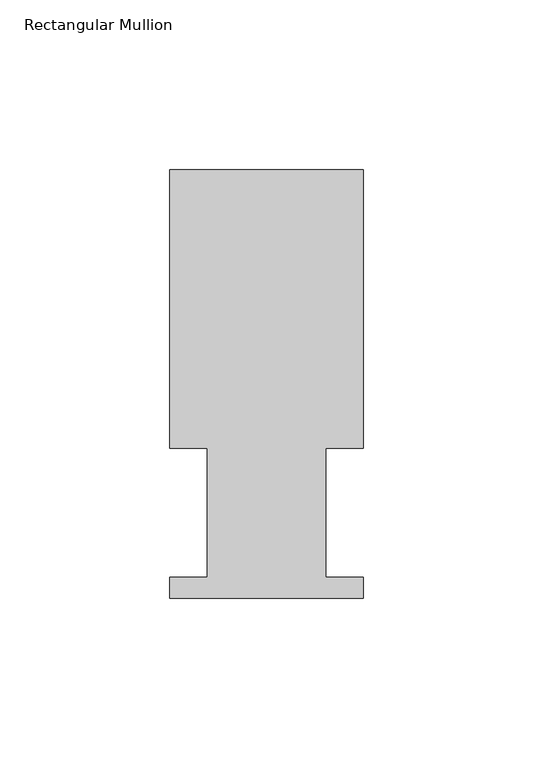
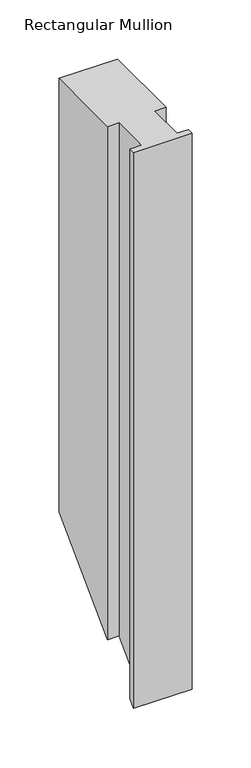
"""IFC4 building model written with IfcOpenShell, lengths in millimetres: member geometry, Rectangular Mullion."""

import ifcopenshell
import ifcopenshell.guid

model = None  # the IFC model being written
_history = None  # IfcOwnerHistory: only IFC2X3 demands one
_inside = {}  # id of a spatial element -> (the spatial element, [elements in it])
_under = {}  # id of a project, library or spatial element -> (it, [spatial elements below it])
_declared = {}  # id of a project -> (the project, [libraries it declares])
_typed = {}  # id of a type object -> (the type object, [elements of that type])
_made_of = {}  # id of a material, layer set ... -> (it, [elements and type objects made of it])


def new_model(schema):
    """Start an empty IFC model of exactly this schema.

    Asked for "IFC4X3", IfcOpenShell would pick the latest addendum, in which some entities
    have other attributes; the version numbers below select the first issue.
    IFC2X3 requires an IfcOwnerHistory on every rooted entity: one is made here for all.
    """
    global model, _history
    if schema == "IFC4X3":
        model = ifcopenshell.file(schema_version=(4, 3, 0, 0))
    else:
        model = ifcopenshell.file(schema=schema)
    _inside.clear()
    _under.clear()
    _declared.clear()
    _typed.clear()
    _made_of.clear()
    _history = None
    if model.schema == "IFC2X3":
        org = make("IfcOrganization", Name="unknown")
        user = make(
            "IfcPersonAndOrganization",
            ThePerson=make("IfcPerson", FamilyName="unknown"),
            TheOrganization=org,
        )
        app = make(
            "IfcApplication",
            ApplicationDeveloper=org,
            Version="unknown",
            ApplicationFullName="unknown",
            ApplicationIdentifier="unknown",
        )
        _history = make(
            "IfcOwnerHistory",
            OwningUser=user,
            OwningApplication=app,
            ChangeAction="ADDED",
            CreationDate=0,
        )
    return model


def make(cls, **values):
    """One entity of the class cls with the attributes given. An attribute that is None is left unset."""
    return model.create_entity(
        cls, **{name: value for name, value in values.items() if value is not None}
    )


def rooted(cls, **values):
    """An entity with a GlobalId (a new one), such as an element, a storey or a relation."""
    return make(cls, GlobalId=ifcopenshell.guid.new(), OwnerHistory=_history, **values)


def si_unit(unit_type, name, prefix=None):
    """IfcSIUnit, for example si_unit("LENGTHUNIT", "METRE", prefix="MILLI")."""
    return make("IfcSIUnit", UnitType=unit_type, Prefix=prefix, Name=name)


def assignment(units):
    """IfcUnitAssignment: the units of a project."""
    return None if units is None else make("IfcUnitAssignment", Units=units)


def point(xyz):
    """IfcCartesianPoint."""
    return None if xyz is None else make("IfcCartesianPoint", Coordinates=xyz)


def direction(xyz):
    """IfcDirection."""
    return None if xyz is None else make("IfcDirection", DirectionRatios=xyz)


def frame(location, z_axis=None, x_axis=None):
    """IfcAxis2Placement3D, a coordinate frame: its origin and axes. An axis left out is left unset."""
    return make(
        "IfcAxis2Placement3D",
        Location=point(location),
        Axis=direction(z_axis),
        RefDirection=direction(x_axis),
    )


def origin():
    """The frame at (0, 0, 0) with its axes left unset."""
    return frame((0.0, 0.0, 0.0))


def place(relative_to, where):
    """IfcLocalPlacement: puts the frame where relative to a parent placement (None: the world)."""
    return make(
        "IfcLocalPlacement", PlacementRelTo=relative_to, RelativePlacement=where
    )


def context(
    kind, dimensions, precision=None, world=None, true_north=None, identifier=None
):
    """IfcGeometricRepresentationContext, for example the 3D "Model" context."""
    return make(
        "IfcGeometricRepresentationContext",
        ContextIdentifier=identifier,
        ContextType=kind,
        CoordinateSpaceDimension=dimensions,
        Precision=precision,
        WorldCoordinateSystem=world,
        TrueNorth=true_north,
    )


def project(units=None, contexts=None):
    """IfcProject with its units and contexts."""
    return rooted(
        "IfcProject",
        Name="project",
        RepresentationContexts=contexts,
        UnitsInContext=assignment(units),
    )


def spatial(cls, under=None, at=None, **own):
    """A site, building, storey or space (cls), placed at a placement, below another one or the project."""
    s = rooted(cls, ObjectPlacement=at, **own)
    if under is not None:
        _under.setdefault(under.id(), (under, []))[1].append(s)
    return s


def faces_of(points, faces, orient=None, outer=None):
    """IfcFace entities. A face is a list of loops; a loop is a list of indices into points, from 0.

    orient and outer hold one flag for each loop. By default every Orientation is true, the
    first loop of a face is its IfcFaceOuterBound and the others are IfcFaceBound.
    """
    made = []
    for i, loops in enumerate(faces):
        bounds = []
        for j, loop in enumerate(loops):
            is_outer = j == 0 if outer is None else outer[i][j]
            bounds.append(
                make(
                    "IfcFaceOuterBound" if is_outer else "IfcFaceBound",
                    Bound=make("IfcPolyLoop", Polygon=[points[k] for k in loop]),
                    Orientation=True if orient is None else orient[i][j],
                )
            )
        made.append(make("IfcFace", Bounds=bounds))
    return made


def faceted_brep(points, faces, orient=None, outer=None, voids=None):
    """IfcFacetedBrep: a solid bounded by flat faces; with voids (closed shells), ...WithVoids."""
    shared = [point(p) for p in points]
    hull = make("IfcClosedShell", CfsFaces=faces_of(shared, faces, orient, outer))
    if voids is None:
        return make("IfcFacetedBrep", Outer=hull)
    return make(
        "IfcFacetedBrepWithVoids",
        Outer=hull,
        Voids=[
            make(cls, CfsFaces=faces_of(shared, fs, o, b)) for cls, fs, o, b in voids
        ],
    )


def shape(context_of_items, identifier, shape_type, items):
    """IfcShapeRepresentation: the items that make up one representation, for example the "Body"."""
    return make(
        "IfcShapeRepresentation",
        ContextOfItems=context_of_items,
        RepresentationIdentifier=identifier,
        RepresentationType=shape_type,
        Items=items,
    )


def source(mapping_origin, context_of_items, identifier, shape_type, items):
    """IfcRepresentationMap: a shape defined once, which mapped items show again and again."""
    return make(
        "IfcRepresentationMap",
        MappingOrigin=mapping_origin,
        MappedRepresentation=shape(context_of_items, identifier, shape_type, items),
    )


def transform(
    local_origin,
    x_axis=None,
    y_axis=None,
    z_axis=None,
    scale=None,
    scale2=None,
    scale3=None,
    uniform=True,
):
    """IfcCartesianTransformationOperator3D, or its non-uniform kind. x_axis, y_axis, z_axis: its Axis1, 2, 3."""
    if uniform:
        return make(
            "IfcCartesianTransformationOperator3D",
            Axis1=direction(x_axis),
            Axis2=direction(y_axis),
            LocalOrigin=point(local_origin),
            Scale=scale,
            Axis3=direction(z_axis),
        )
    return make(
        "IfcCartesianTransformationOperator3DnonUniform",
        Axis1=direction(x_axis),
        Axis2=direction(y_axis),
        LocalOrigin=point(local_origin),
        Scale=scale,
        Axis3=direction(z_axis),
        Scale2=scale2,
        Scale3=scale3,
    )


def mapped(mapping_source, mapping_target):
    """IfcMappedItem: shows the shape of a source again, moved by a transform."""
    return make(
        "IfcMappedItem", MappingSource=mapping_source, MappingTarget=mapping_target
    )


def made_of(thing, what):
    """Note that an element or type object is made of a material, layer set ...; save() writes the relation."""
    if what is not None:
        _made_of.setdefault(what.id(), (what, []))[1].append(thing)
    return thing


def element(
    cls,
    number,
    at=None,
    inside=None,
    cuts=None,
    type_object=None,
    material=None,
    context=None,
    identifier="Body",
    shape_type=None,
    held_by="IfcProductDefinitionShape",
    body=None,
    shapes=None,
    **own,
):
    """One element of the class cls, such as IfcWall. Its Tag is "e" and its number.

    at: its placement. inside: the storey or other place that contains it. cuts: it is an
    opening in that element (IfcRelVoidsElement). A single representation is given by context,
    identifier, shape_type and body (its items); several are given by shapes. held_by: the class
    of the entity that holds the representations. save() writes the other relations.
    """
    e = rooted(cls, Tag="e%d" % number, ObjectPlacement=at, **own)
    if body is not None:
        shapes = [shape(context, identifier, shape_type, body)]
    if shapes is not None:
        e.Representation = make(held_by, Representations=shapes)
    if inside is not None:
        _inside.setdefault(inside.id(), (inside, []))[1].append(e)
    if cuts is not None:
        rooted(
            "IfcRelVoidsElement", RelatingBuildingElement=cuts, RelatedOpeningElement=e
        )
    if type_object is not None:
        _typed.setdefault(type_object.id(), (type_object, []))[1].append(e)
    return made_of(e, material)


def aggregate(whole, parts):
    """IfcRelAggregates: a whole, such as a stair, and the parts it consists of."""
    return rooted("IfcRelAggregates", RelatingObject=whole, RelatedObjects=parts)


def save(model, path):
    """Write the relations noted so far, then the file.

    IfcRelAggregates (storeys below a building ...), IfcRelContainedInSpatialStructure (elements
    in a storey), IfcRelDefinesByType, IfcRelAssociatesMaterial and IfcRelDeclares: one each for
    every whole, place, type object, material and project.
    """
    for whole, parts in _under.values():
        aggregate(whole, parts)
    for where, things in _inside.values():
        rooted(
            "IfcRelContainedInSpatialStructure",
            RelatedElements=things,
            RelatingStructure=where,
        )
    for kind, things in _typed.values():
        rooted("IfcRelDefinesByType", RelatedObjects=things, RelatingType=kind)
    for what, things in _made_of.values():
        rooted("IfcRelAssociatesMaterial", RelatedObjects=things, RelatingMaterial=what)
    for by, libraries in _declared.values():
        rooted("IfcRelDeclares", RelatingContext=by, RelatedDefinitions=libraries)
    model.write(path)


def rectangular_mullion_b6554de3(model_context):
    return source(origin(), model_context, "Body", "Brep", [
        faceted_brep([(0.0, 126.619, 0.0), (-57.15, 126.619, 0.0), (-57.15, 44.45, 0.0), (-46.0370705, 44.45, 0.0), (-46.0370705, 6.35, 0.0), (-57.15, 6.35, 0.0), (-57.15, 0.2798837, 0.0), (0.0, 0.2798837, 0.0), (0.0, 6.35, 0.0), (-11.1120704, 6.35, 0.0), (-11.1120704, 44.45, 0.0), (0.0, 44.45, 0.0), (0.0, 126.619, -448.056), (-57.15, 126.619, -448.056), (-57.15, 44.45, -530.225), (-46.0370705, 44.45, -530.225), (-46.0370705, 6.35, -568.325), (-57.15, 6.35, -568.325), (-57.15, 0.2798837, -574.3951163), (0.0, 0.2798837, -574.3951163), (0.0, 6.35, -568.325), (-11.1120704, 6.35, -568.325), (-11.1120704, 44.45, -530.225), (0.0, 44.45, -530.225)], [[[0, 1, 2, 3, 4, 5, 6, 7, 8, 9, 10, 11]], [[1, 0, 12, 13]], [[2, 1, 13, 14]], [[3, 2, 14, 15]], [[4, 3, 15, 16]], [[5, 4, 16, 17]], [[6, 5, 17, 18]], [[7, 6, 18, 19]], [[8, 7, 19, 20]], [[9, 8, 20, 21]], [[10, 9, 21, 22]], [[11, 10, 22, 23]], [[0, 11, 23, 12]], [[12, 23, 22, 21, 20, 19, 18, 17, 16, 15, 14, 13]]]),
    ])


if __name__ == "__main__":
    model = new_model("IFC4")
    model_context = context("Model", 3, world=origin())
    ifc_project = project(units=[si_unit("LENGTHUNIT", "METRE", prefix="MILLI")], contexts=[model_context])
    site = spatial("IfcSite", under=ifc_project)
    building = spatial("IfcBuilding", under=site)
    placement = place(None, origin())
    rectangular_mullion_shape = rectangular_mullion_b6554de3(model_context)
    element("IfcMember", 1, ObjectType="Rectangular Mullion", at=placement, inside=building, context=model_context, shape_type="MappedRepresentation", body=[
        mapped(rectangular_mullion_shape, transform((0.0, 0.0, 0.0), x_axis=(1.0, 0.0, 0.0), y_axis=(0.0, 1.0, 0.0), z_axis=(0.0, 0.0, 1.0))),
    ])
    save(model, "model.ifc")
